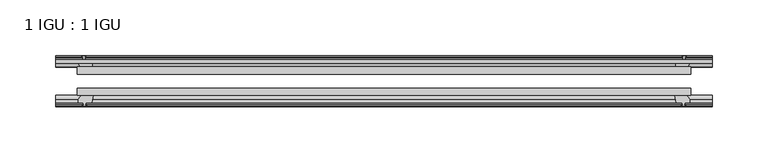
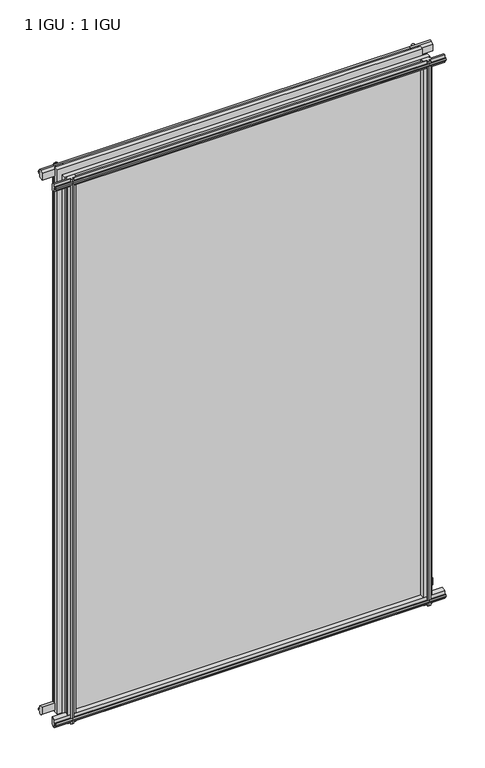
"""IFC4 building model written with IfcOpenShell, lengths in millimetres: plate geometry, 1 IGU : 1 IGU."""

from ifc_helpers import new_model, si_unit, frame, origin, place, context, project, spatial, polyline, outline, extrude, source, transform, mapped, element, save


def plate_1_igu_1_igu_927aba7e(model_context):
    return source(origin(), model_context, "Body", "SweptSolid", [
        extrude(outline(polyline([(-273.8239964, -38.6468937), (273.8239964, -38.6468937), (273.8239964, -44.9460938), (-273.8239964, -44.9460938), (-273.8239964, -38.6468937)])), frame((0.0, 0.0, -12.7), z_axis=(0.0, 0.0, 1.0), x_axis=(1.0, 0.0, 0.0)), (0.0, 0.0, 1.0), 863.5872996),
        extrude(outline(polyline([(-273.8239964, -19.5460937), (273.8239964, -19.5460937), (273.8239964, -25.8960938), (-273.8239964, -25.8960938), (-273.8239964, -19.5460937)])), frame((0.0, 0.0, -12.7), z_axis=(0.0, 0.0, 1.0), x_axis=(1.0, 0.0, 0.0)), (0.0, 0.0, 1.0), 863.5872996),
        extrude(outline(polyline([(-44.9460937, 1.7177181), (-44.9460937, -9.1036578), (-48.3496937, -11.938), (-51.2960937, -11.938), (-51.2960937, -7.493), (-53.6762907, -7.112), (-53.2163575, -8.5275291), (-54.0175717, -8.5275291), (-54.7250937, -6.35), (-54.0175717, -4.1724709), (-53.2163575, -4.1724709), (-53.6762907, -5.588), (-51.2960937, -5.207), (-51.2960937, 0.0), (-44.9460937, 1.7177181)])), frame((-292.8739964, 0.0, 0.0), z_axis=(1.0, 0.0, 0.0), x_axis=(0.0, 1.0, 0.0)), (0.0, 0.0, 1.0), 585.7479928),
        extrude(outline(polyline([(-13.1960937, -12.4587), (-16.1424937, -12.4587), (-19.5460937, -9.6243578), (-19.5460937, 1.1970181), (-13.1960937, -0.5207), (-13.1960937, -5.7277), (-10.8158968, -6.1087), (-11.27583, -4.6931709), (-10.4746158, -4.6931709), (-9.7670937, -6.8707), (-10.4746158, -9.0482291), (-11.27583, -9.0482291), (-10.8158968, -7.6327), (-13.1960937, -8.0137), (-13.1960937, -12.4587)])), frame((-292.8739964, 0.0, 0.0), z_axis=(1.0, 0.0, 0.0), x_axis=(0.0, 1.0, 0.0)), (0.0, 0.0, 1.0), 585.7479928),
        extrude(outline(polyline([(-51.2960937, 850.1252996), (-48.3496937, 850.1252996), (-44.9460937, 847.2909574), (-44.9460937, 836.4695815), (-51.2960937, 838.1872996), (-51.2960937, 843.3942996), (-53.6762907, 843.7752996), (-53.2163575, 842.3597706), (-54.0175717, 842.3597706), (-54.7250937, 844.5372996), (-54.0175717, 846.7148287), (-53.2163575, 846.7148287), (-53.6762907, 845.2992996), (-51.2960937, 845.6802996), (-51.2960937, 850.1252996)])), frame((-292.8739964, 0.0, 0.0), z_axis=(1.0, 0.0, 0.0), x_axis=(0.0, 1.0, 0.0)), (0.0, 0.0, 1.0), 585.7479928),
        extrude(outline(polyline([(-19.5460937, 836.9902815), (-19.5460937, 847.8116574), (-16.1424937, 850.6459996), (-13.1960937, 850.6459996), (-13.1960937, 846.2009996), (-10.8158968, 845.8199996), (-11.27583, 847.2355287), (-10.4746158, 847.2355287), (-9.7670937, 845.0579996), (-10.4746158, 842.8804706), (-11.27583, 842.8804706), (-10.8158968, 844.2959996), (-13.1960937, 843.9149996), (-13.1960937, 838.7079996), (-19.5460937, 836.9902815)])), frame((-292.8739964, 0.0, 0.0), z_axis=(1.0, 0.0, 0.0), x_axis=(0.0, 1.0, 0.0)), (0.0, 0.0, 1.0), 585.7479928),
        extrude(outline(polyline([(259.9269783, -19.5460938), (261.6446964, -13.1960938), (266.8516964, -13.1960938), (267.2326964, -10.8158968), (265.8171674, -11.27583), (265.8171674, -10.4746158), (267.9946964, -9.7670938), (270.1722255, -10.4746158), (270.1722255, -11.27583), (268.7566964, -10.8158968), (269.1376964, -13.1960938), (273.5826964, -13.1960938), (273.5826964, -16.1424938), (270.7483542, -19.5460938), (259.9269783, -19.5460938)])), frame((0.0, 0.0, -12.7), z_axis=(0.0, 0.0, 1.0), x_axis=(1.0, 0.0, 0.0)), (0.0, 0.0, 1.0), 863.5872998),
        extrude(outline(polyline([(259.4062783, -44.9460938), (270.2276542, -44.9460938), (273.0619964, -48.3496938), (273.0619964, -51.2960938), (268.6169964, -51.2960938), (268.2359964, -53.6762907), (269.6515255, -53.2163575), (269.6515255, -54.0175717), (267.4739964, -54.7250938), (265.2964674, -54.0175717), (265.2964674, -53.2163575), (266.7119964, -53.6762907), (266.3309964, -51.2960938), (261.1239964, -51.2960938), (259.4062783, -44.9460938)])), frame((0.0, 0.0, -12.7), z_axis=(0.0, 0.0, 1.0), x_axis=(1.0, 0.0, 0.0)), (0.0, 0.0, 1.0), 863.5872998),
        extrude(outline(polyline([(-267.9946964, -9.7670937), (-265.8171674, -10.4746158), (-265.8171674, -11.27583), (-267.2326964, -10.8158968), (-266.8516964, -13.1960937), (-261.6446964, -13.1960937), (-259.9269783, -19.5460937), (-270.7483542, -19.5460937), (-273.5826964, -16.1424937), (-273.5826964, -13.1960937), (-269.1376964, -13.1960937), (-268.7566964, -10.8158968), (-270.1722255, -11.27583), (-270.1722255, -10.4746158), (-267.9946964, -9.7670937)])), frame((0.0, 0.0, -12.7), z_axis=(0.0, 0.0, 1.0), x_axis=(1.0, 0.0, 0.0)), (0.0, 0.0, 1.0), 863.5872998),
        extrude(outline(polyline([(-273.0619964, -48.3496937), (-270.2276542, -44.9460937), (-259.4062783, -44.9460937), (-261.1239964, -51.2960937), (-266.3309964, -51.2960937), (-266.7119964, -53.6762907), (-265.2964674, -53.2163575), (-265.2964674, -54.0175717), (-267.4739964, -54.7250937), (-269.6515255, -54.0175717), (-269.6515255, -53.2163575), (-268.2359964, -53.6762907), (-268.6169964, -51.2960937), (-273.0619964, -51.2960937), (-273.0619964, -48.3496937)])), frame((0.0, 0.0, -12.7), z_axis=(0.0, 0.0, 1.0), x_axis=(1.0, 0.0, 0.0)), (0.0, 0.0, 1.0), 863.5872998),
    ])


if __name__ == "__main__":
    model = new_model("IFC4")
    model_context = context("Model", 3, world=origin())
    ifc_project = project(units=[si_unit("LENGTHUNIT", "METRE", prefix="MILLI")], contexts=[model_context])
    site = spatial("IfcSite", under=ifc_project)
    building = spatial("IfcBuilding", under=site)
    placement = place(None, origin())
    plate_1_igu_1_igu_shape = plate_1_igu_1_igu_927aba7e(model_context)
    element("IfcPlate", 1, ObjectType="1 IGU : 1 IGU", at=placement, inside=building, context=model_context, shape_type="MappedRepresentation", body=[
        mapped(plate_1_igu_1_igu_shape, transform((0.0, 0.0, 0.0), x_axis=(1.0, 0.0, 0.0), y_axis=(0.0, 1.0, 0.0), z_axis=(0.0, 0.0, 1.0))),
    ])
    save(model, "model.ifc")
